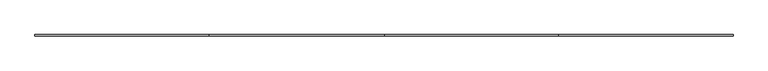
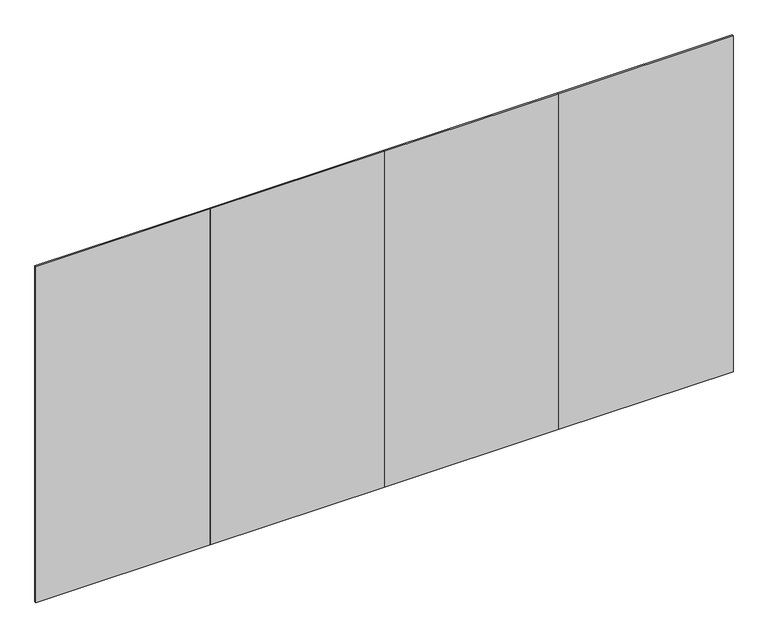
"""IFC4 building model written with IfcOpenShell, lengths in millimetres: furniture geometry."""

import ifcopenshell
import ifcopenshell.guid

model = None  # the IFC model being written
_history = None  # IfcOwnerHistory: only IFC2X3 demands one
_inside = {}  # id of a spatial element -> (the spatial element, [elements in it])
_under = {}  # id of a project, library or spatial element -> (it, [spatial elements below it])
_declared = {}  # id of a project -> (the project, [libraries it declares])
_typed = {}  # id of a type object -> (the type object, [elements of that type])
_made_of = {}  # id of a material, layer set ... -> (it, [elements and type objects made of it])


def new_model(schema):
    """Start an empty IFC model of exactly this schema.

    Asked for "IFC4X3", IfcOpenShell would pick the latest addendum, in which some entities
    have other attributes; the version numbers below select the first issue.
    IFC2X3 requires an IfcOwnerHistory on every rooted entity: one is made here for all.
    """
    global model, _history
    if schema == "IFC4X3":
        model = ifcopenshell.file(schema_version=(4, 3, 0, 0))
    else:
        model = ifcopenshell.file(schema=schema)
    _inside.clear()
    _under.clear()
    _declared.clear()
    _typed.clear()
    _made_of.clear()
    _history = None
    if model.schema == "IFC2X3":
        org = make("IfcOrganization", Name="unknown")
        user = make(
            "IfcPersonAndOrganization",
            ThePerson=make("IfcPerson", FamilyName="unknown"),
            TheOrganization=org,
        )
        app = make(
            "IfcApplication",
            ApplicationDeveloper=org,
            Version="unknown",
            ApplicationFullName="unknown",
            ApplicationIdentifier="unknown",
        )
        _history = make(
            "IfcOwnerHistory",
            OwningUser=user,
            OwningApplication=app,
            ChangeAction="ADDED",
            CreationDate=0,
        )
    return model


def make(cls, **values):
    """One entity of the class cls with the attributes given. An attribute that is None is left unset."""
    return model.create_entity(
        cls, **{name: value for name, value in values.items() if value is not None}
    )


def rooted(cls, **values):
    """An entity with a GlobalId (a new one), such as an element, a storey or a relation."""
    return make(cls, GlobalId=ifcopenshell.guid.new(), OwnerHistory=_history, **values)


def si_unit(unit_type, name, prefix=None):
    """IfcSIUnit, for example si_unit("LENGTHUNIT", "METRE", prefix="MILLI")."""
    return make("IfcSIUnit", UnitType=unit_type, Prefix=prefix, Name=name)


def assignment(units):
    """IfcUnitAssignment: the units of a project."""
    return None if units is None else make("IfcUnitAssignment", Units=units)


def point(xyz):
    """IfcCartesianPoint."""
    return None if xyz is None else make("IfcCartesianPoint", Coordinates=xyz)


def direction(xyz):
    """IfcDirection."""
    return None if xyz is None else make("IfcDirection", DirectionRatios=xyz)


def frame(location, z_axis=None, x_axis=None):
    """IfcAxis2Placement3D, a coordinate frame: its origin and axes. An axis left out is left unset."""
    return make(
        "IfcAxis2Placement3D",
        Location=point(location),
        Axis=direction(z_axis),
        RefDirection=direction(x_axis),
    )


def origin():
    """The frame at (0, 0, 0) with its axes left unset."""
    return frame((0.0, 0.0, 0.0))


def place(relative_to, where):
    """IfcLocalPlacement: puts the frame where relative to a parent placement (None: the world)."""
    return make(
        "IfcLocalPlacement", PlacementRelTo=relative_to, RelativePlacement=where
    )


def context(
    kind, dimensions, precision=None, world=None, true_north=None, identifier=None
):
    """IfcGeometricRepresentationContext, for example the 3D "Model" context."""
    return make(
        "IfcGeometricRepresentationContext",
        ContextIdentifier=identifier,
        ContextType=kind,
        CoordinateSpaceDimension=dimensions,
        Precision=precision,
        WorldCoordinateSystem=world,
        TrueNorth=true_north,
    )


def project(units=None, contexts=None):
    """IfcProject with its units and contexts."""
    return rooted(
        "IfcProject",
        Name="project",
        RepresentationContexts=contexts,
        UnitsInContext=assignment(units),
    )


def spatial(cls, under=None, at=None, **own):
    """A site, building, storey or space (cls), placed at a placement, below another one or the project."""
    s = rooted(cls, ObjectPlacement=at, **own)
    if under is not None:
        _under.setdefault(under.id(), (under, []))[1].append(s)
    return s


def polyline(points):
    """IfcPolyline through the points."""
    return make("IfcPolyline", Points=[point(p) for p in points])


def outline(outer, holes=None, kind="AREA"):
    """IfcArbitraryClosedProfileDef: a profile drawn as a closed curve; with holes, ...WithVoids."""
    if holes is None:
        return make("IfcArbitraryClosedProfileDef", ProfileType=kind, OuterCurve=outer)
    return make(
        "IfcArbitraryProfileDefWithVoids",
        ProfileType=kind,
        OuterCurve=outer,
        InnerCurves=holes,
    )


def extrude(swept, where, along, depth):
    """IfcExtrudedAreaSolid: the profile swept, set in the frame where, extruded along a direction by depth."""
    return make(
        "IfcExtrudedAreaSolid",
        SweptArea=swept,
        Position=where,
        ExtrudedDirection=direction(along),
        Depth=depth,
    )


def shape(context_of_items, identifier, shape_type, items):
    """IfcShapeRepresentation: the items that make up one representation, for example the "Body"."""
    return make(
        "IfcShapeRepresentation",
        ContextOfItems=context_of_items,
        RepresentationIdentifier=identifier,
        RepresentationType=shape_type,
        Items=items,
    )


def source(mapping_origin, context_of_items, identifier, shape_type, items):
    """IfcRepresentationMap: a shape defined once, which mapped items show again and again."""
    return make(
        "IfcRepresentationMap",
        MappingOrigin=mapping_origin,
        MappedRepresentation=shape(context_of_items, identifier, shape_type, items),
    )


def transform(
    local_origin,
    x_axis=None,
    y_axis=None,
    z_axis=None,
    scale=None,
    scale2=None,
    scale3=None,
    uniform=True,
):
    """IfcCartesianTransformationOperator3D, or its non-uniform kind. x_axis, y_axis, z_axis: its Axis1, 2, 3."""
    if uniform:
        return make(
            "IfcCartesianTransformationOperator3D",
            Axis1=direction(x_axis),
            Axis2=direction(y_axis),
            LocalOrigin=point(local_origin),
            Scale=scale,
            Axis3=direction(z_axis),
        )
    return make(
        "IfcCartesianTransformationOperator3DnonUniform",
        Axis1=direction(x_axis),
        Axis2=direction(y_axis),
        LocalOrigin=point(local_origin),
        Scale=scale,
        Axis3=direction(z_axis),
        Scale2=scale2,
        Scale3=scale3,
    )


def mapped(mapping_source, mapping_target):
    """IfcMappedItem: shows the shape of a source again, moved by a transform."""
    return make(
        "IfcMappedItem", MappingSource=mapping_source, MappingTarget=mapping_target
    )


def made_of(thing, what):
    """Note that an element or type object is made of a material, layer set ...; save() writes the relation."""
    if what is not None:
        _made_of.setdefault(what.id(), (what, []))[1].append(thing)
    return thing


def element(
    cls,
    number,
    at=None,
    inside=None,
    cuts=None,
    type_object=None,
    material=None,
    context=None,
    identifier="Body",
    shape_type=None,
    held_by="IfcProductDefinitionShape",
    body=None,
    shapes=None,
    **own,
):
    """One element of the class cls, such as IfcWall. Its Tag is "e" and its number.

    at: its placement. inside: the storey or other place that contains it. cuts: it is an
    opening in that element (IfcRelVoidsElement). A single representation is given by context,
    identifier, shape_type and body (its items); several are given by shapes. held_by: the class
    of the entity that holds the representations. save() writes the other relations.
    """
    e = rooted(cls, Tag="e%d" % number, ObjectPlacement=at, **own)
    if body is not None:
        shapes = [shape(context, identifier, shape_type, body)]
    if shapes is not None:
        e.Representation = make(held_by, Representations=shapes)
    if inside is not None:
        _inside.setdefault(inside.id(), (inside, []))[1].append(e)
    if cuts is not None:
        rooted(
            "IfcRelVoidsElement", RelatingBuildingElement=cuts, RelatedOpeningElement=e
        )
    if type_object is not None:
        _typed.setdefault(type_object.id(), (type_object, []))[1].append(e)
    return made_of(e, material)


def aggregate(whole, parts):
    """IfcRelAggregates: a whole, such as a stair, and the parts it consists of."""
    return rooted("IfcRelAggregates", RelatingObject=whole, RelatedObjects=parts)


def save(model, path):
    """Write the relations noted so far, then the file.

    IfcRelAggregates (storeys below a building ...), IfcRelContainedInSpatialStructure (elements
    in a storey), IfcRelDefinesByType, IfcRelAssociatesMaterial and IfcRelDeclares: one each for
    every whole, place, type object, material and project.
    """
    for whole, parts in _under.values():
        aggregate(whole, parts)
    for where, things in _inside.values():
        rooted(
            "IfcRelContainedInSpatialStructure",
            RelatedElements=things,
            RelatingStructure=where,
        )
    for kind, things in _typed.values():
        rooted("IfcRelDefinesByType", RelatedObjects=things, RelatingType=kind)
    for what, things in _made_of.values():
        rooted("IfcRelAssociatesMaterial", RelatedObjects=things, RelatingMaterial=what)
    for by, libraries in _declared.values():
        rooted("IfcRelDeclares", RelatingContext=by, RelatedDefinitions=libraries)
    model.write(path)


def furniture_edec9919(model_context):
    return source(origin(), model_context, "Body", "SweptSolid", [
        extrude(outline(polyline([(4267.2, -4.7752), (3200.4, -4.7752), (3200.4, 4.7498), (4267.2, 4.7498), (4267.2, -4.7752)])), frame((0.0, 0.0, 12.7), z_axis=(0.0, 0.0, 1.0), x_axis=(1.0, 0.0, 0.0)), (0.0, 0.0, 1.0), 2173.6010468),
        extrude(outline(polyline([(2133.6, -4.7752), (1066.8, -4.7752), (1066.8, 4.7498), (2133.6, 4.7498), (2133.6, -4.7752)])), frame((0.0, 0.0, 12.7), z_axis=(0.0, 0.0, 1.0), x_axis=(1.0, 0.0, 0.0)), (0.0, 0.0, 1.0), 2173.6010468),
        extrude(outline(polyline([(3200.4, -4.7752), (2133.6, -4.7752), (2133.6, 4.7498), (3200.4, 4.7498), (3200.4, -4.7752)])), frame((0.0, 0.0, 12.7), z_axis=(0.0, 0.0, 1.0), x_axis=(1.0, 0.0, 0.0)), (0.0, 0.0, 1.0), 2173.6010468),
        extrude(outline(polyline([(1066.8, -4.7752), (0.0, -4.7752), (0.0, 4.7498), (1066.8, 4.7498), (1066.8, -4.7752)])), frame((0.0, 0.0, 12.7), z_axis=(0.0, 0.0, 1.0), x_axis=(1.0, 0.0, 0.0)), (0.0, 0.0, 1.0), 2173.6010468),
    ])


if __name__ == "__main__":
    model = new_model("IFC4")
    model_context = context("Model", 3, world=origin())
    ifc_project = project(units=[si_unit("LENGTHUNIT", "METRE", prefix="MILLI")], contexts=[model_context])
    site = spatial("IfcSite", under=ifc_project)
    building = spatial("IfcBuilding", under=site)
    placement = place(None, origin())
    furniture_shape = furniture_edec9919(model_context)
    element("IfcFurniture", 1, at=placement, inside=building, context=model_context, shape_type="MappedRepresentation", body=[
        mapped(furniture_shape, transform((0.0, 0.0, 0.0), x_axis=(1.0, 0.0, 0.0), y_axis=(0.0, 1.0, 0.0), z_axis=(0.0, 0.0, 1.0))),
    ])
    save(model, "model.ifc")
